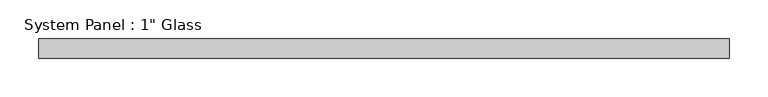
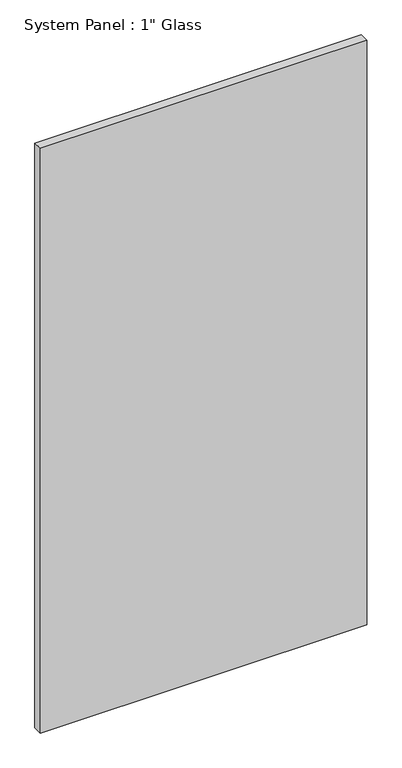
"""IFC4 building model written with IfcOpenShell, lengths in millimetres: plate geometry."""

from ifc_helpers import new_model, si_unit, origin, origin_with_axes, place, context, project, spatial, polyline, outline, extrude, source, transform, mapped, element, save


def plate_b774b52e(model_context):
    return source(origin(), model_context, "Body", "SweptSolid", [
        extrude(outline(polyline([(447.7217316, -12.7), (-447.7217316, -12.7), (-447.7217316, 12.7), (447.7217316, 12.7), (447.7217316, -12.7)])), origin_with_axes(), (0.0, 0.0, 1.0), 1695.45),
    ])


if __name__ == "__main__":
    model = new_model("IFC4")
    model_context = context("Model", 3, world=origin())
    ifc_project = project(units=[si_unit("LENGTHUNIT", "METRE", prefix="MILLI")], contexts=[model_context])
    site = spatial("IfcSite", under=ifc_project)
    building = spatial("IfcBuilding", under=site)
    placement = place(None, origin())
    plate_shape = plate_b774b52e(model_context)
    element("IfcPlate", 1, ObjectType="System Panel : 1\" Glass", at=placement, inside=building, context=model_context, shape_type="MappedRepresentation", body=[
        mapped(plate_shape, transform((0.0, 0.0, 0.0), x_axis=(1.0, 0.0, 0.0), y_axis=(0.0, 1.0, 0.0), z_axis=(0.0, 0.0, 1.0))),
    ])
    save(model, "model.ifc")
